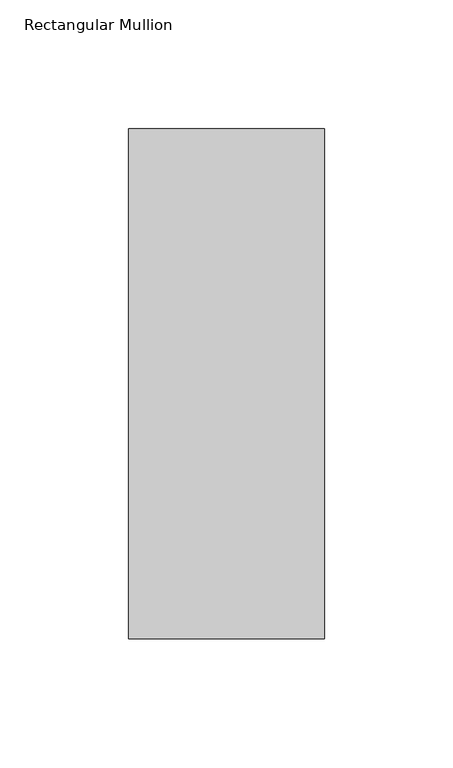
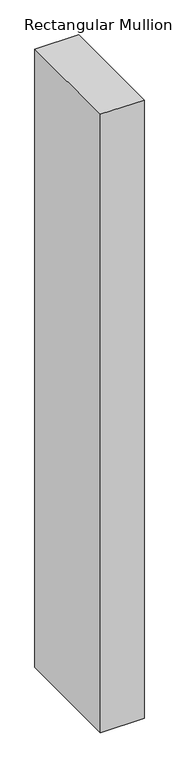
"""IFC4 building model written with IfcOpenShell, lengths in millimetres: member geometry, Rectangular Mullion."""

from ifc_helpers import new_model, si_unit, frame, origin, place, context, project, spatial, polyline, outline, extrude, source, transform, mapped, element, save


def rectangular_mullion_b4a44adb(model_context):
    return source(origin(), model_context, "Body", "SweptSolid", [
        extrude(outline(polyline([(38.1, -156.36875), (-38.1, -156.36875), (-38.1, 42.06875), (38.1, 42.06875), (38.1, -156.36875)])), frame((0.0, 0.0, -1143.0), z_axis=(0.0, 0.0, 1.0), x_axis=(1.0, 0.0, 0.0)), (0.0, 0.0, 1.0), 1143.0),
    ])


if __name__ == "__main__":
    model = new_model("IFC4")
    model_context = context("Model", 3, world=origin())
    ifc_project = project(units=[si_unit("LENGTHUNIT", "METRE", prefix="MILLI")], contexts=[model_context])
    site = spatial("IfcSite", under=ifc_project)
    building = spatial("IfcBuilding", under=site)
    placement = place(None, origin())
    rectangular_mullion_shape = rectangular_mullion_b4a44adb(model_context)
    element("IfcMember", 1, ObjectType="Rectangular Mullion", at=placement, inside=building, context=model_context, shape_type="MappedRepresentation", body=[
        mapped(rectangular_mullion_shape, transform((0.0, 0.0, 0.0), x_axis=(1.0, 0.0, 0.0), y_axis=(0.0, 1.0, 0.0), z_axis=(0.0, 0.0, 1.0))),
    ])
    save(model, "model.ifc")
